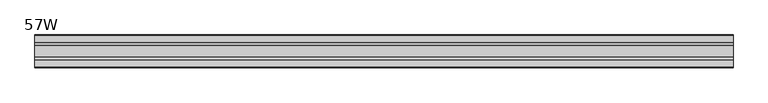
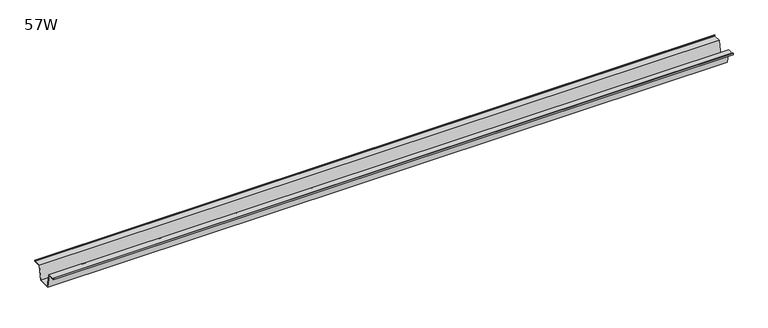
"""IFC4 building model written with IfcOpenShell, lengths in millimetres: furniture geometry, 57W."""

import ifcopenshell
import ifcopenshell.guid

model = None  # the IFC model being written
_history = None  # IfcOwnerHistory: only IFC2X3 demands one
_inside = {}  # id of a spatial element -> (the spatial element, [elements in it])
_under = {}  # id of a project, library or spatial element -> (it, [spatial elements below it])
_declared = {}  # id of a project -> (the project, [libraries it declares])
_typed = {}  # id of a type object -> (the type object, [elements of that type])
_made_of = {}  # id of a material, layer set ... -> (it, [elements and type objects made of it])


def new_model(schema):
    """Start an empty IFC model of exactly this schema.

    Asked for "IFC4X3", IfcOpenShell would pick the latest addendum, in which some entities
    have other attributes; the version numbers below select the first issue.
    IFC2X3 requires an IfcOwnerHistory on every rooted entity: one is made here for all.
    """
    global model, _history
    if schema == "IFC4X3":
        model = ifcopenshell.file(schema_version=(4, 3, 0, 0))
    else:
        model = ifcopenshell.file(schema=schema)
    _inside.clear()
    _under.clear()
    _declared.clear()
    _typed.clear()
    _made_of.clear()
    _history = None
    if model.schema == "IFC2X3":
        org = make("IfcOrganization", Name="unknown")
        user = make(
            "IfcPersonAndOrganization",
            ThePerson=make("IfcPerson", FamilyName="unknown"),
            TheOrganization=org,
        )
        app = make(
            "IfcApplication",
            ApplicationDeveloper=org,
            Version="unknown",
            ApplicationFullName="unknown",
            ApplicationIdentifier="unknown",
        )
        _history = make(
            "IfcOwnerHistory",
            OwningUser=user,
            OwningApplication=app,
            ChangeAction="ADDED",
            CreationDate=0,
        )
    return model


def make(cls, **values):
    """One entity of the class cls with the attributes given. An attribute that is None is left unset."""
    return model.create_entity(
        cls, **{name: value for name, value in values.items() if value is not None}
    )


def rooted(cls, **values):
    """An entity with a GlobalId (a new one), such as an element, a storey or a relation."""
    return make(cls, GlobalId=ifcopenshell.guid.new(), OwnerHistory=_history, **values)


def si_unit(unit_type, name, prefix=None):
    """IfcSIUnit, for example si_unit("LENGTHUNIT", "METRE", prefix="MILLI")."""
    return make("IfcSIUnit", UnitType=unit_type, Prefix=prefix, Name=name)


def assignment(units):
    """IfcUnitAssignment: the units of a project."""
    return None if units is None else make("IfcUnitAssignment", Units=units)


def point(xyz):
    """IfcCartesianPoint."""
    return None if xyz is None else make("IfcCartesianPoint", Coordinates=xyz)


def direction(xyz):
    """IfcDirection."""
    return None if xyz is None else make("IfcDirection", DirectionRatios=xyz)


def frame(location, z_axis=None, x_axis=None):
    """IfcAxis2Placement3D, a coordinate frame: its origin and axes. An axis left out is left unset."""
    return make(
        "IfcAxis2Placement3D",
        Location=point(location),
        Axis=direction(z_axis),
        RefDirection=direction(x_axis),
    )


def origin():
    """The frame at (0, 0, 0) with its axes left unset."""
    return frame((0.0, 0.0, 0.0))


def place(relative_to, where):
    """IfcLocalPlacement: puts the frame where relative to a parent placement (None: the world)."""
    return make(
        "IfcLocalPlacement", PlacementRelTo=relative_to, RelativePlacement=where
    )


def context(
    kind, dimensions, precision=None, world=None, true_north=None, identifier=None
):
    """IfcGeometricRepresentationContext, for example the 3D "Model" context."""
    return make(
        "IfcGeometricRepresentationContext",
        ContextIdentifier=identifier,
        ContextType=kind,
        CoordinateSpaceDimension=dimensions,
        Precision=precision,
        WorldCoordinateSystem=world,
        TrueNorth=true_north,
    )


def project(units=None, contexts=None):
    """IfcProject with its units and contexts."""
    return rooted(
        "IfcProject",
        Name="project",
        RepresentationContexts=contexts,
        UnitsInContext=assignment(units),
    )


def spatial(cls, under=None, at=None, **own):
    """A site, building, storey or space (cls), placed at a placement, below another one or the project."""
    s = rooted(cls, ObjectPlacement=at, **own)
    if under is not None:
        _under.setdefault(under.id(), (under, []))[1].append(s)
    return s


def polyline(points):
    """IfcPolyline through the points."""
    return make("IfcPolyline", Points=[point(p) for p in points])


def outline(outer, holes=None, kind="AREA"):
    """IfcArbitraryClosedProfileDef: a profile drawn as a closed curve; with holes, ...WithVoids."""
    if holes is None:
        return make("IfcArbitraryClosedProfileDef", ProfileType=kind, OuterCurve=outer)
    return make(
        "IfcArbitraryProfileDefWithVoids",
        ProfileType=kind,
        OuterCurve=outer,
        InnerCurves=holes,
    )


def extrude(swept, where, along, depth):
    """IfcExtrudedAreaSolid: the profile swept, set in the frame where, extruded along a direction by depth."""
    return make(
        "IfcExtrudedAreaSolid",
        SweptArea=swept,
        Position=where,
        ExtrudedDirection=direction(along),
        Depth=depth,
    )


def shape(context_of_items, identifier, shape_type, items):
    """IfcShapeRepresentation: the items that make up one representation, for example the "Body"."""
    return make(
        "IfcShapeRepresentation",
        ContextOfItems=context_of_items,
        RepresentationIdentifier=identifier,
        RepresentationType=shape_type,
        Items=items,
    )


def source(mapping_origin, context_of_items, identifier, shape_type, items):
    """IfcRepresentationMap: a shape defined once, which mapped items show again and again."""
    return make(
        "IfcRepresentationMap",
        MappingOrigin=mapping_origin,
        MappedRepresentation=shape(context_of_items, identifier, shape_type, items),
    )


def transform(
    local_origin,
    x_axis=None,
    y_axis=None,
    z_axis=None,
    scale=None,
    scale2=None,
    scale3=None,
    uniform=True,
):
    """IfcCartesianTransformationOperator3D, or its non-uniform kind. x_axis, y_axis, z_axis: its Axis1, 2, 3."""
    if uniform:
        return make(
            "IfcCartesianTransformationOperator3D",
            Axis1=direction(x_axis),
            Axis2=direction(y_axis),
            LocalOrigin=point(local_origin),
            Scale=scale,
            Axis3=direction(z_axis),
        )
    return make(
        "IfcCartesianTransformationOperator3DnonUniform",
        Axis1=direction(x_axis),
        Axis2=direction(y_axis),
        LocalOrigin=point(local_origin),
        Scale=scale,
        Axis3=direction(z_axis),
        Scale2=scale2,
        Scale3=scale3,
    )


def mapped(mapping_source, mapping_target):
    """IfcMappedItem: shows the shape of a source again, moved by a transform."""
    return make(
        "IfcMappedItem", MappingSource=mapping_source, MappingTarget=mapping_target
    )


def made_of(thing, what):
    """Note that an element or type object is made of a material, layer set ...; save() writes the relation."""
    if what is not None:
        _made_of.setdefault(what.id(), (what, []))[1].append(thing)
    return thing


def element(
    cls,
    number,
    at=None,
    inside=None,
    cuts=None,
    type_object=None,
    material=None,
    context=None,
    identifier="Body",
    shape_type=None,
    held_by="IfcProductDefinitionShape",
    body=None,
    shapes=None,
    **own,
):
    """One element of the class cls, such as IfcWall. Its Tag is "e" and its number.

    at: its placement. inside: the storey or other place that contains it. cuts: it is an
    opening in that element (IfcRelVoidsElement). A single representation is given by context,
    identifier, shape_type and body (its items); several are given by shapes. held_by: the class
    of the entity that holds the representations. save() writes the other relations.
    """
    e = rooted(cls, Tag="e%d" % number, ObjectPlacement=at, **own)
    if body is not None:
        shapes = [shape(context, identifier, shape_type, body)]
    if shapes is not None:
        e.Representation = make(held_by, Representations=shapes)
    if inside is not None:
        _inside.setdefault(inside.id(), (inside, []))[1].append(e)
    if cuts is not None:
        rooted(
            "IfcRelVoidsElement", RelatingBuildingElement=cuts, RelatedOpeningElement=e
        )
    if type_object is not None:
        _typed.setdefault(type_object.id(), (type_object, []))[1].append(e)
    return made_of(e, material)


def aggregate(whole, parts):
    """IfcRelAggregates: a whole, such as a stair, and the parts it consists of."""
    return rooted("IfcRelAggregates", RelatingObject=whole, RelatedObjects=parts)


def save(model, path):
    """Write the relations noted so far, then the file.

    IfcRelAggregates (storeys below a building ...), IfcRelContainedInSpatialStructure (elements
    in a storey), IfcRelDefinesByType, IfcRelAssociatesMaterial and IfcRelDeclares: one each for
    every whole, place, type object, material and project.
    """
    for whole, parts in _under.values():
        aggregate(whole, parts)
    for where, things in _inside.values():
        rooted(
            "IfcRelContainedInSpatialStructure",
            RelatedElements=things,
            RelatingStructure=where,
        )
    for kind, things in _typed.values():
        rooted("IfcRelDefinesByType", RelatedObjects=things, RelatingType=kind)
    for what, things in _made_of.values():
        rooted("IfcRelAssociatesMaterial", RelatedObjects=things, RelatingMaterial=what)
    for by, libraries in _declared.values():
        rooted("IfcRelDeclares", RelatingContext=by, RelatedDefinitions=libraries)
    model.write(path)


def furniture_57w_2e841190(model_context):
    return source(origin(), model_context, "Body", "SweptSolid", [
        extrude(outline(polyline([(-22.9397721, 720.725), (-28.502372, 690.4990007), (-53.9023728, 690.4990007), (-59.4649727, 720.725), (-75.3653716, 720.725), (-75.3653716, 723.9), (-74.5716216, 723.9), (-74.5716216, 721.51875), (-58.8172994, 721.51875), (-53.2546995, 691.2927507), (-29.1500453, 691.2927507), (-23.5874454, 721.51875), (-7.8331232, 721.51875), (-7.8331232, 723.9), (-7.0393732, 723.9), (-7.0393732, 720.725), (-22.9397721, 720.725)])), frame((-728.98, 0.0, 0.0), z_axis=(1.0, 0.0, 0.0), x_axis=(0.0, 1.0, 0.0)), (0.0, 0.0, 1.0), 1457.96),
    ])


if __name__ == "__main__":
    model = new_model("IFC4")
    model_context = context("Model", 3, world=origin())
    ifc_project = project(units=[si_unit("LENGTHUNIT", "METRE", prefix="MILLI")], contexts=[model_context])
    site = spatial("IfcSite", under=ifc_project)
    building = spatial("IfcBuilding", under=site)
    placement = place(None, origin())
    furniture_57w_shape = furniture_57w_2e841190(model_context)
    element("IfcFurniture", 1, ObjectType="57W", at=placement, inside=building, context=model_context, shape_type="MappedRepresentation", body=[
        mapped(furniture_57w_shape, transform((0.0, 0.0, 0.0), x_axis=(1.0, 0.0, 0.0), y_axis=(0.0, 1.0, 0.0), z_axis=(0.0, 0.0, 1.0))),
    ])
    save(model, "model.ifc")
